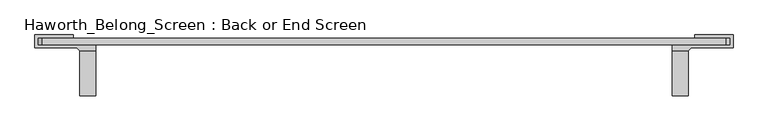
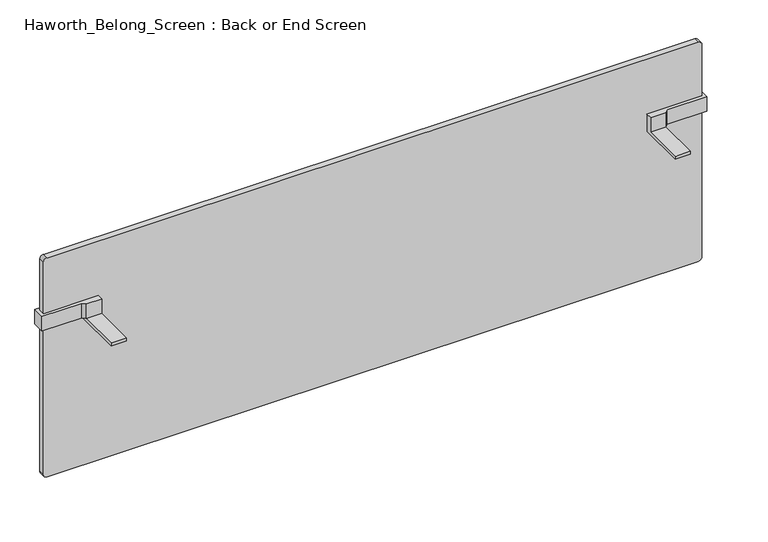
"""IFC4 building model written with IfcOpenShell, lengths in millimetres: furniture geometry, Haworth_Belong_Screen : Back or End Screen."""

import ifcopenshell
import ifcopenshell.guid

model = None  # the IFC model being written
_history = None  # IfcOwnerHistory: only IFC2X3 demands one
_inside = {}  # id of a spatial element -> (the spatial element, [elements in it])
_under = {}  # id of a project, library or spatial element -> (it, [spatial elements below it])
_declared = {}  # id of a project -> (the project, [libraries it declares])
_typed = {}  # id of a type object -> (the type object, [elements of that type])
_made_of = {}  # id of a material, layer set ... -> (it, [elements and type objects made of it])


def new_model(schema):
    """Start an empty IFC model of exactly this schema.

    Asked for "IFC4X3", IfcOpenShell would pick the latest addendum, in which some entities
    have other attributes; the version numbers below select the first issue.
    IFC2X3 requires an IfcOwnerHistory on every rooted entity: one is made here for all.
    """
    global model, _history
    if schema == "IFC4X3":
        model = ifcopenshell.file(schema_version=(4, 3, 0, 0))
    else:
        model = ifcopenshell.file(schema=schema)
    _inside.clear()
    _under.clear()
    _declared.clear()
    _typed.clear()
    _made_of.clear()
    _history = None
    if model.schema == "IFC2X3":
        org = make("IfcOrganization", Name="unknown")
        user = make(
            "IfcPersonAndOrganization",
            ThePerson=make("IfcPerson", FamilyName="unknown"),
            TheOrganization=org,
        )
        app = make(
            "IfcApplication",
            ApplicationDeveloper=org,
            Version="unknown",
            ApplicationFullName="unknown",
            ApplicationIdentifier="unknown",
        )
        _history = make(
            "IfcOwnerHistory",
            OwningUser=user,
            OwningApplication=app,
            ChangeAction="ADDED",
            CreationDate=0,
        )
    return model


def make(cls, **values):
    """One entity of the class cls with the attributes given. An attribute that is None is left unset."""
    return model.create_entity(
        cls, **{name: value for name, value in values.items() if value is not None}
    )


def rooted(cls, **values):
    """An entity with a GlobalId (a new one), such as an element, a storey or a relation."""
    return make(cls, GlobalId=ifcopenshell.guid.new(), OwnerHistory=_history, **values)


def si_unit(unit_type, name, prefix=None):
    """IfcSIUnit, for example si_unit("LENGTHUNIT", "METRE", prefix="MILLI")."""
    return make("IfcSIUnit", UnitType=unit_type, Prefix=prefix, Name=name)


def assignment(units):
    """IfcUnitAssignment: the units of a project."""
    return None if units is None else make("IfcUnitAssignment", Units=units)


def point(xyz):
    """IfcCartesianPoint."""
    return None if xyz is None else make("IfcCartesianPoint", Coordinates=xyz)


def direction(xyz):
    """IfcDirection."""
    return None if xyz is None else make("IfcDirection", DirectionRatios=xyz)


def frame(location, z_axis=None, x_axis=None):
    """IfcAxis2Placement3D, a coordinate frame: its origin and axes. An axis left out is left unset."""
    return make(
        "IfcAxis2Placement3D",
        Location=point(location),
        Axis=direction(z_axis),
        RefDirection=direction(x_axis),
    )


def frame_2d(location, x_axis=None):
    """IfcAxis2Placement2D, a coordinate frame in the plane: its origin and x axis."""
    return make(
        "IfcAxis2Placement2D", Location=point(location), RefDirection=direction(x_axis)
    )


def origin():
    """The frame at (0, 0, 0) with its axes left unset."""
    return frame((0.0, 0.0, 0.0))


def place(relative_to, where):
    """IfcLocalPlacement: puts the frame where relative to a parent placement (None: the world)."""
    return make(
        "IfcLocalPlacement", PlacementRelTo=relative_to, RelativePlacement=where
    )


def context(
    kind, dimensions, precision=None, world=None, true_north=None, identifier=None
):
    """IfcGeometricRepresentationContext, for example the 3D "Model" context."""
    return make(
        "IfcGeometricRepresentationContext",
        ContextIdentifier=identifier,
        ContextType=kind,
        CoordinateSpaceDimension=dimensions,
        Precision=precision,
        WorldCoordinateSystem=world,
        TrueNorth=true_north,
    )


def project(units=None, contexts=None):
    """IfcProject with its units and contexts."""
    return rooted(
        "IfcProject",
        Name="project",
        RepresentationContexts=contexts,
        UnitsInContext=assignment(units),
    )


def spatial(cls, under=None, at=None, **own):
    """A site, building, storey or space (cls), placed at a placement, below another one or the project."""
    s = rooted(cls, ObjectPlacement=at, **own)
    if under is not None:
        _under.setdefault(under.id(), (under, []))[1].append(s)
    return s


def polyline(points):
    """IfcPolyline through the points."""
    return make("IfcPolyline", Points=[point(p) for p in points])


def circle_curve(where, radius):
    """IfcCircle in the frame where."""
    return make("IfcCircle", Position=where, Radius=radius)


def trimmed(basis, trim1, trim2, sense, master):
    """IfcTrimmedCurve: the piece of a basis curve between two trims."""
    return make(
        "IfcTrimmedCurve",
        BasisCurve=basis,
        Trim1=trim1,
        Trim2=trim2,
        SenseAgreement=sense,
        MasterRepresentation=master,
    )


def segment(curve, same_sense, transition):
    """IfcCompositeCurveSegment."""
    return make(
        "IfcCompositeCurveSegment",
        Transition=transition,
        SameSense=same_sense,
        ParentCurve=curve,
    )


def composite_curve(segments, self_intersect=None):
    """IfcCompositeCurve: segments joined end to end."""
    return make("IfcCompositeCurve", Segments=segments, SelfIntersect=self_intersect)


def outline(outer, holes=None, kind="AREA"):
    """IfcArbitraryClosedProfileDef: a profile drawn as a closed curve; with holes, ...WithVoids."""
    if holes is None:
        return make("IfcArbitraryClosedProfileDef", ProfileType=kind, OuterCurve=outer)
    return make(
        "IfcArbitraryProfileDefWithVoids",
        ProfileType=kind,
        OuterCurve=outer,
        InnerCurves=holes,
    )


def extrude(swept, where, along, depth):
    """IfcExtrudedAreaSolid: the profile swept, set in the frame where, extruded along a direction by depth."""
    return make(
        "IfcExtrudedAreaSolid",
        SweptArea=swept,
        Position=where,
        ExtrudedDirection=direction(along),
        Depth=depth,
    )


def faces_of(points, faces, orient=None, outer=None):
    """IfcFace entities. A face is a list of loops; a loop is a list of indices into points, from 0.

    orient and outer hold one flag for each loop. By default every Orientation is true, the
    first loop of a face is its IfcFaceOuterBound and the others are IfcFaceBound.
    """
    made = []
    for i, loops in enumerate(faces):
        bounds = []
        for j, loop in enumerate(loops):
            is_outer = j == 0 if outer is None else outer[i][j]
            bounds.append(
                make(
                    "IfcFaceOuterBound" if is_outer else "IfcFaceBound",
                    Bound=make("IfcPolyLoop", Polygon=[points[k] for k in loop]),
                    Orientation=True if orient is None else orient[i][j],
                )
            )
        made.append(make("IfcFace", Bounds=bounds))
    return made


def faceted_brep(points, faces, orient=None, outer=None, voids=None):
    """IfcFacetedBrep: a solid bounded by flat faces; with voids (closed shells), ...WithVoids."""
    shared = [point(p) for p in points]
    hull = make("IfcClosedShell", CfsFaces=faces_of(shared, faces, orient, outer))
    if voids is None:
        return make("IfcFacetedBrep", Outer=hull)
    return make(
        "IfcFacetedBrepWithVoids",
        Outer=hull,
        Voids=[
            make(cls, CfsFaces=faces_of(shared, fs, o, b)) for cls, fs, o, b in voids
        ],
    )


def shape(context_of_items, identifier, shape_type, items):
    """IfcShapeRepresentation: the items that make up one representation, for example the "Body"."""
    return make(
        "IfcShapeRepresentation",
        ContextOfItems=context_of_items,
        RepresentationIdentifier=identifier,
        RepresentationType=shape_type,
        Items=items,
    )


def source(mapping_origin, context_of_items, identifier, shape_type, items):
    """IfcRepresentationMap: a shape defined once, which mapped items show again and again."""
    return make(
        "IfcRepresentationMap",
        MappingOrigin=mapping_origin,
        MappedRepresentation=shape(context_of_items, identifier, shape_type, items),
    )


def transform(
    local_origin,
    x_axis=None,
    y_axis=None,
    z_axis=None,
    scale=None,
    scale2=None,
    scale3=None,
    uniform=True,
):
    """IfcCartesianTransformationOperator3D, or its non-uniform kind. x_axis, y_axis, z_axis: its Axis1, 2, 3."""
    if uniform:
        return make(
            "IfcCartesianTransformationOperator3D",
            Axis1=direction(x_axis),
            Axis2=direction(y_axis),
            LocalOrigin=point(local_origin),
            Scale=scale,
            Axis3=direction(z_axis),
        )
    return make(
        "IfcCartesianTransformationOperator3DnonUniform",
        Axis1=direction(x_axis),
        Axis2=direction(y_axis),
        LocalOrigin=point(local_origin),
        Scale=scale,
        Axis3=direction(z_axis),
        Scale2=scale2,
        Scale3=scale3,
    )


def mapped(mapping_source, mapping_target):
    """IfcMappedItem: shows the shape of a source again, moved by a transform."""
    return make(
        "IfcMappedItem", MappingSource=mapping_source, MappingTarget=mapping_target
    )


def made_of(thing, what):
    """Note that an element or type object is made of a material, layer set ...; save() writes the relation."""
    if what is not None:
        _made_of.setdefault(what.id(), (what, []))[1].append(thing)
    return thing


def element(
    cls,
    number,
    at=None,
    inside=None,
    cuts=None,
    type_object=None,
    material=None,
    context=None,
    identifier="Body",
    shape_type=None,
    held_by="IfcProductDefinitionShape",
    body=None,
    shapes=None,
    **own,
):
    """One element of the class cls, such as IfcWall. Its Tag is "e" and its number.

    at: its placement. inside: the storey or other place that contains it. cuts: it is an
    opening in that element (IfcRelVoidsElement). A single representation is given by context,
    identifier, shape_type and body (its items); several are given by shapes. held_by: the class
    of the entity that holds the representations. save() writes the other relations.
    """
    e = rooted(cls, Tag="e%d" % number, ObjectPlacement=at, **own)
    if body is not None:
        shapes = [shape(context, identifier, shape_type, body)]
    if shapes is not None:
        e.Representation = make(held_by, Representations=shapes)
    if inside is not None:
        _inside.setdefault(inside.id(), (inside, []))[1].append(e)
    if cuts is not None:
        rooted(
            "IfcRelVoidsElement", RelatingBuildingElement=cuts, RelatedOpeningElement=e
        )
    if type_object is not None:
        _typed.setdefault(type_object.id(), (type_object, []))[1].append(e)
    return made_of(e, material)


def aggregate(whole, parts):
    """IfcRelAggregates: a whole, such as a stair, and the parts it consists of."""
    return rooted("IfcRelAggregates", RelatingObject=whole, RelatedObjects=parts)


def save(model, path):
    """Write the relations noted so far, then the file.

    IfcRelAggregates (storeys below a building ...), IfcRelContainedInSpatialStructure (elements
    in a storey), IfcRelDefinesByType, IfcRelAssociatesMaterial and IfcRelDeclares: one each for
    every whole, place, type object, material and project.
    """
    for whole, parts in _under.values():
        aggregate(whole, parts)
    for where, things in _inside.values():
        rooted(
            "IfcRelContainedInSpatialStructure",
            RelatedElements=things,
            RelatingStructure=where,
        )
    for kind, things in _typed.values():
        rooted("IfcRelDefinesByType", RelatedObjects=things, RelatingType=kind)
    for what, things in _made_of.values():
        rooted("IfcRelAssociatesMaterial", RelatedObjects=things, RelatingMaterial=what)
    for by, libraries in _declared.values():
        rooted("IfcRelDeclares", RelatingContext=by, RelatedDefinitions=libraries)
    model.write(path)


def haworth_belong_screen_back_or_end_screen_e316c49b(model_context):
    return source(origin(), model_context, "Body", "SolidModel", [
        faceted_brep([(-604.1645436, -6.35, 700.0875), (-604.1645436, -6.35, 738.1875), (-604.1645436, -19.05, 738.1875), (-604.1645436, -19.05, 706.4375), (-604.1645436, -107.95, 706.4375), (-604.1645436, -107.95, 700.0875), (-635.9145436, -107.95, 706.4375), (-635.9145436, -19.05, 706.4375), (-635.9145436, -6.35, 706.4375), (-635.9145436, -6.35, 700.0875), (-635.9145436, -107.95, 700.0875), (-718.4645436, -6.35, 706.4375), (-718.4645436, -6.35, 738.1875), (-718.4645436, 6.35, 738.1875), (-648.6145436, 6.35, 738.1875), (-648.6145436, 12.7, 738.1875), (-724.8145436, 12.7, 738.1875), (-724.8145436, -12.7, 738.1875), (-642.2645436, -12.7, 738.1875), (-635.9145436, -19.05, 738.1875), (-718.4645436, 6.35, 706.4375), (-642.2645436, -12.7, 706.4375), (-724.8145436, -12.7, 706.4375), (-724.8145436, 12.7, 706.4375), (-648.6145436, 12.7, 706.4375), (-648.6145436, 6.35, 706.4375)], [[[0, 1, 2, 3, 4, 5]], [[6, 7, 8, 9, 10]], [[4, 3, 7, 6]], [[0, 9, 8, 11, 12, 1]], [[5, 10, 9, 0]], [[4, 6, 10, 5]], [[13, 14, 15, 16, 17, 18, 19, 2, 1, 12]], [[20, 11, 8, 7, 21, 22, 23, 24, 25]], [[12, 11, 20, 13]], [[19, 7, 3, 2]], [[18, 21, 7, 19]], [[17, 22, 21, 18]], [[16, 23, 22, 17]], [[15, 24, 23, 16]], [[14, 25, 24, 15]], [[13, 20, 25, 14]]]),
        faceted_brep([(538.8354564, -107.95, 706.4375), (538.8354564, -19.05, 706.4375), (538.8354564, -19.05, 738.1875), (538.8354564, -6.35, 738.1875), (538.8354564, -6.35, 700.0875), (538.8354564, -107.95, 700.0875), (570.5854564, -6.35, 706.4375), (570.5854564, -19.05, 706.4375), (570.5854564, -107.95, 706.4375), (570.5854564, -107.95, 700.0875), (570.5854564, -6.35, 700.0875), (653.1354564, -6.35, 738.1875), (653.1354564, -6.35, 706.4375), (570.5854564, -19.05, 738.1875), (576.9354564, -12.7, 738.1875), (659.4854564, -12.7, 738.1875), (659.4854564, 12.7, 738.1875), (583.2854564, 12.7, 738.1875), (583.2854564, 6.35, 738.1875), (653.1354564, 6.35, 738.1875), (653.1354564, 6.35, 706.4375), (583.2854564, 6.35, 706.4375), (583.2854564, 12.7, 706.4375), (659.4854564, 12.7, 706.4375), (659.4854564, -12.7, 706.4375), (576.9354564, -12.7, 706.4375)], [[[0, 1, 2, 3, 4, 5]], [[6, 7, 8, 9, 10]], [[5, 9, 8, 0]], [[4, 10, 9, 5]], [[3, 11, 12, 6, 10, 4]], [[8, 7, 1, 0]], [[11, 3, 2, 13, 14, 15, 16, 17, 18, 19]], [[7, 6, 12, 20, 21, 22, 23, 24, 25]], [[14, 25, 24, 15]], [[15, 24, 23, 16]], [[16, 23, 22, 17]], [[17, 22, 21, 18]], [[18, 21, 20, 19]], [[19, 20, 12, 11]], [[2, 1, 7, 13]], [[13, 7, 25, 14]]]),
        extrude(outline(composite_curve([segment(polyline([(858.8375, 645.1979564), (858.8375, -710.5270436)]), True, "CONTINUOUS"), segment(trimmed(circle_curve(frame_2d((850.9, -710.5270436)), 7.9375), [point((858.8375, -710.5270436))], [point((850.9, -718.4645436))], False, "CARTESIAN"), True, "CONTINUOUS"), segment(polyline([(850.9, -718.4645436), (384.175, -718.4645436)]), True, "CONTINUOUS"), segment(trimmed(circle_curve(frame_2d((384.175, -710.5270436)), 7.9375), [point((384.175, -718.4645436))], [point((376.2375, -710.5270436))], False, "CARTESIAN"), True, "CONTINUOUS"), segment(polyline([(376.2375, -710.5270436), (376.2375, 645.1979564)]), True, "CONTINUOUS"), segment(trimmed(circle_curve(frame_2d((384.175, 645.1979564)), 7.9375), [point((376.2375, 645.1979564))], [point((384.175, 653.1354564))], False, "CARTESIAN"), True, "CONTINUOUS"), segment(polyline([(384.175, 653.1354564), (850.9, 653.1354564)]), True, "CONTINUOUS"), segment(trimmed(circle_curve(frame_2d((850.9, 645.1979564)), 7.9375), [point((850.9, 653.1354564))], [point((858.8375, 645.1979564))], False, "CARTESIAN"), True, "CONTINUOUS")], self_intersect=False)), frame((0.0, -6.35, 0.0), z_axis=(0.0, 1.0, 0.0), x_axis=(0.0, 0.0, 1.0)), (0.0, 0.0, 1.0), 12.7),
    ])


if __name__ == "__main__":
    model = new_model("IFC4")
    model_context = context("Model", 3, world=origin())
    ifc_project = project(units=[si_unit("LENGTHUNIT", "METRE", prefix="MILLI")], contexts=[model_context])
    site = spatial("IfcSite", under=ifc_project)
    building = spatial("IfcBuilding", under=site)
    placement = place(None, origin())
    haworth_belong_screen_back_or_end_screen_shape = haworth_belong_screen_back_or_end_screen_e316c49b(model_context)
    element("IfcFurniture", 1, ObjectType="Haworth_Belong_Screen : Back or End Screen", at=placement, inside=building, context=model_context, shape_type="MappedRepresentation", body=[
        mapped(haworth_belong_screen_back_or_end_screen_shape, transform((0.0, 0.0, 0.0), x_axis=(1.0, 0.0, 0.0), y_axis=(0.0, 1.0, 0.0), z_axis=(0.0, 0.0, 1.0))),
    ])
    save(model, "model.ifc")
